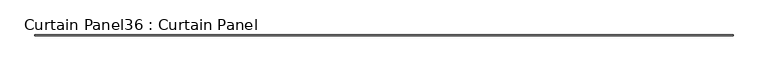
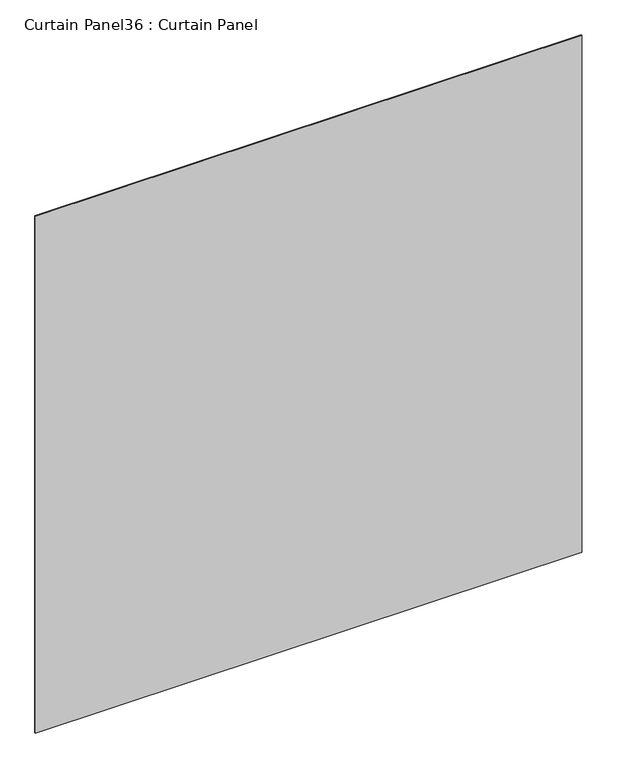
"""IFC4 building model written with IfcOpenShell, lengths in millimetres: plate geometry, Curtain Panel36 : Curtain Panel."""

from ifc_helpers import new_model, si_unit, frame, origin, place, context, project, spatial, polyline, outline, extrude, source, transform, mapped, element, save


def curtain_panel36_curtain_panel_efc78c7e(model_context):
    return source(origin(), model_context, "Body", "SweptSolid", [
        extrude(outline(polyline([(627988.0033653, 2961.2292268), (621959.1252099, 2961.2292268), (621959.1252099, 2967.5792268), (627988.0033653, 2967.5792268), (627988.0033653, 2961.2292268)])), frame((0.0, 0.0, 11335.5431052), z_axis=(0.0, 0.0, 1.0), x_axis=(1.0, 0.0, 0.0)), (0.0, 0.0, 1.0), 6029.3491808),
    ])


if __name__ == "__main__":
    model = new_model("IFC4")
    model_context = context("Model", 3, world=origin())
    ifc_project = project(units=[si_unit("LENGTHUNIT", "METRE", prefix="MILLI")], contexts=[model_context])
    site = spatial("IfcSite", under=ifc_project)
    building = spatial("IfcBuilding", under=site)
    placement = place(None, origin())
    curtain_panel36_curtain_panel_shape = curtain_panel36_curtain_panel_efc78c7e(model_context)
    element("IfcPlate", 1, ObjectType="Curtain Panel36 : Curtain Panel", at=placement, inside=building, context=model_context, shape_type="MappedRepresentation", body=[
        mapped(curtain_panel36_curtain_panel_shape, transform((0.0, 0.0, 0.0), x_axis=(1.0, 0.0, 0.0), y_axis=(0.0, 1.0, 0.0), z_axis=(0.0, 0.0, 1.0))),
    ])
    save(model, "model.ifc")
